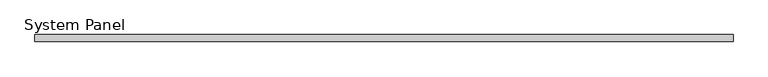
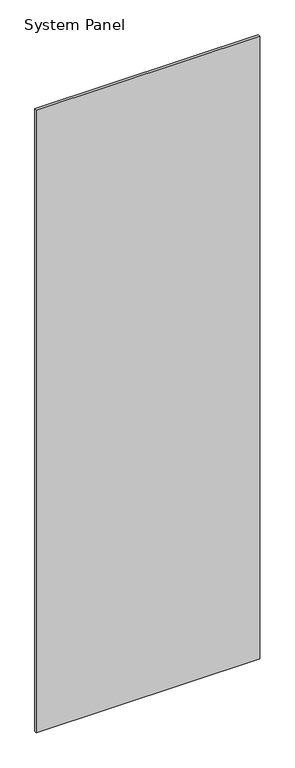
"""IFC4 building model written with IfcOpenShell, lengths in millimetres: plate geometry, System Panel."""

from ifc_helpers import new_model, si_unit, origin, origin_with_axes, place, context, project, spatial, polyline, outline, extrude, source, transform, mapped, element, save


def system_panel_24f55a1e(model_context):
    return source(origin(), model_context, "Body", "SweptSolid", [
        extrude(outline(polyline([(507.5, -5.0), (-507.5, -5.0), (-507.5, 5.0), (507.5, 5.0), (507.5, -5.0)])), origin_with_axes(), (0.0, 0.0, 1.0), 2991.6097048),
    ])


if __name__ == "__main__":
    model = new_model("IFC4")
    model_context = context("Model", 3, world=origin())
    ifc_project = project(units=[si_unit("LENGTHUNIT", "METRE", prefix="MILLI")], contexts=[model_context])
    site = spatial("IfcSite", under=ifc_project)
    building = spatial("IfcBuilding", under=site)
    placement = place(None, origin())
    system_panel_shape = system_panel_24f55a1e(model_context)
    element("IfcPlate", 1, ObjectType="System Panel", at=placement, inside=building, context=model_context, shape_type="MappedRepresentation", body=[
        mapped(system_panel_shape, transform((0.0, 0.0, 0.0), x_axis=(1.0, 0.0, 0.0), y_axis=(0.0, 1.0, 0.0), z_axis=(0.0, 0.0, 1.0))),
    ])
    save(model, "model.ifc")
